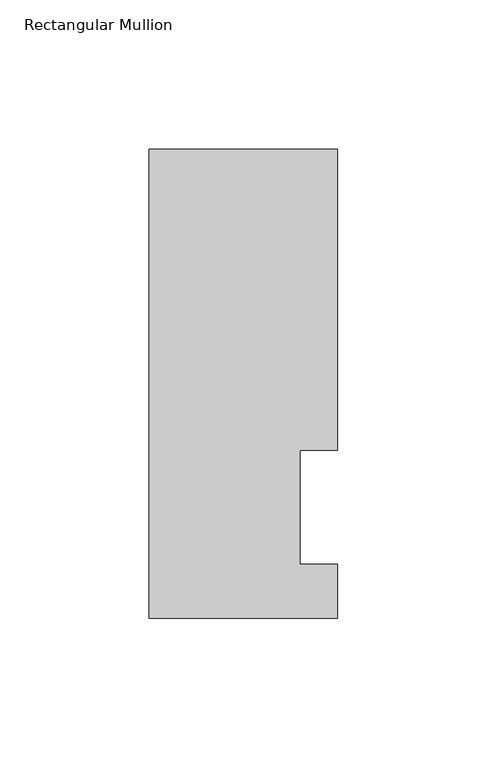
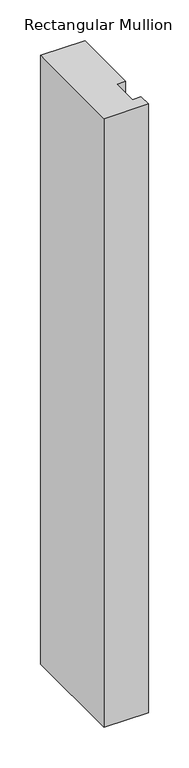
"""IFC4 building model written with IfcOpenShell, lengths in millimetres: member geometry, Rectangular Mullion."""

from ifc_helpers import new_model, si_unit, frame, origin, place, context, project, spatial, polyline, outline, extrude, source, transform, mapped, element, save


def rectangular_mullion_f35600b1(model_context):
    return source(origin(), model_context, "Body", "SweptSolid", [
        extrude(outline(polyline([(0.0, 0.5199062), (-63.0936, 0.5199062), (-63.0936, 157.3395062), (0.0, 157.3395062), (0.0, 56.6539063), (-12.6746, 56.6539063), (-12.6746, 18.5539062), (0.0, 18.5539062), (0.0, 0.5199062)])), frame((0.0, 0.0, -914.4), z_axis=(0.0, 0.0, 1.0), x_axis=(1.0, 0.0, 0.0)), (0.0, 0.0, 1.0), 914.4),
    ])


if __name__ == "__main__":
    model = new_model("IFC4")
    model_context = context("Model", 3, world=origin())
    ifc_project = project(units=[si_unit("LENGTHUNIT", "METRE", prefix="MILLI")], contexts=[model_context])
    site = spatial("IfcSite", under=ifc_project)
    building = spatial("IfcBuilding", under=site)
    placement = place(None, origin())
    rectangular_mullion_shape = rectangular_mullion_f35600b1(model_context)
    element("IfcMember", 1, ObjectType="Rectangular Mullion", at=placement, inside=building, context=model_context, shape_type="MappedRepresentation", body=[
        mapped(rectangular_mullion_shape, transform((0.0, 0.0, 0.0), x_axis=(1.0, 0.0, 0.0), y_axis=(0.0, 1.0, 0.0), z_axis=(0.0, 0.0, 1.0))),
    ])
    save(model, "model.ifc")
